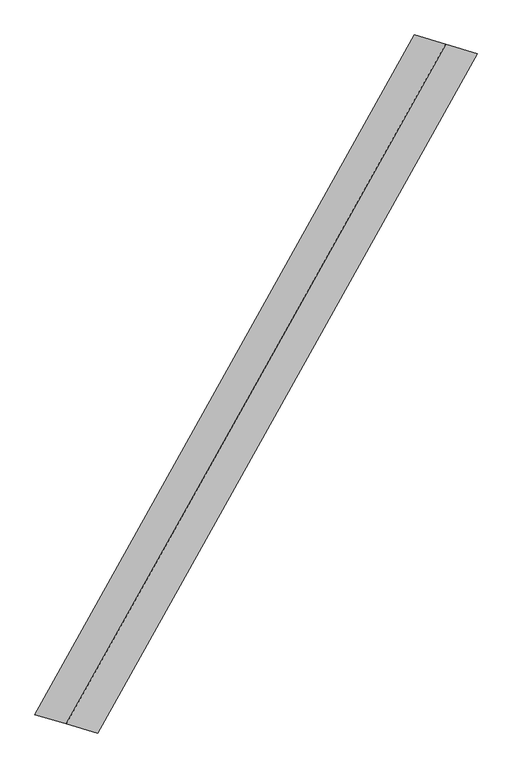
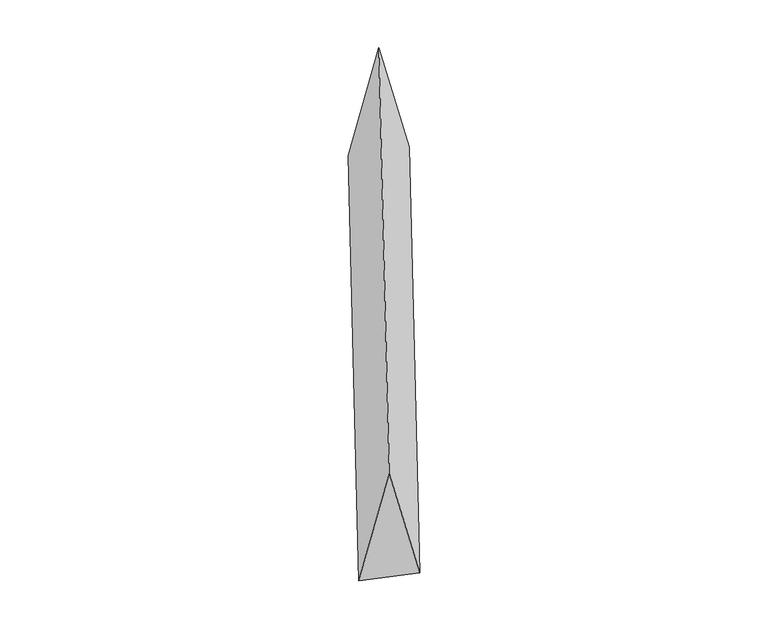
"""IFC4 building model written with IfcOpenShell, lengths in millimetres: proxy geometry."""

from ifc_helpers import new_model, si_unit, origin, place, context, project, spatial, faceted_brep, source, transform, mapped, element, save


def generic_models_dafab2f5(model_context):
    return source(origin(), model_context, "Body", "Brep", [
        faceted_brep([(-1000.2864413, -1790.0104316, 700.0), (-834.6293813, -1838.9231011, 0.0), (1165.9435012, 1741.0977621, 0.0), (1000.2864413, 1790.0104316, 700.0), (-1165.9435012, -1741.0977621, 0.0), (834.6293813, 1838.9231011, 0.0)], [[[0, 1, 2, 3]], [[1, 4, 5, 2]], [[4, 0, 3, 5]], [[3, 2, 5]], [[0, 4, 1]]]),
    ])


if __name__ == "__main__":
    model = new_model("IFC4")
    model_context = context("Model", 3, world=origin())
    ifc_project = project(units=[si_unit("LENGTHUNIT", "METRE", prefix="MILLI")], contexts=[model_context])
    site = spatial("IfcSite", under=ifc_project)
    building = spatial("IfcBuilding", under=site)
    placement = place(None, origin())
    generic_models_shape = generic_models_dafab2f5(model_context)
    element("IfcBuildingElementProxy", 1, Name="Generic Models", at=placement, inside=building, context=model_context, shape_type="MappedRepresentation", body=[
        mapped(generic_models_shape, transform((0.0, 0.0, 0.0), x_axis=(1.0, 0.0, 0.0), y_axis=(0.0, 1.0, 0.0), z_axis=(0.0, 0.0, 1.0))),
    ])
    save(model, "model.ifc")
